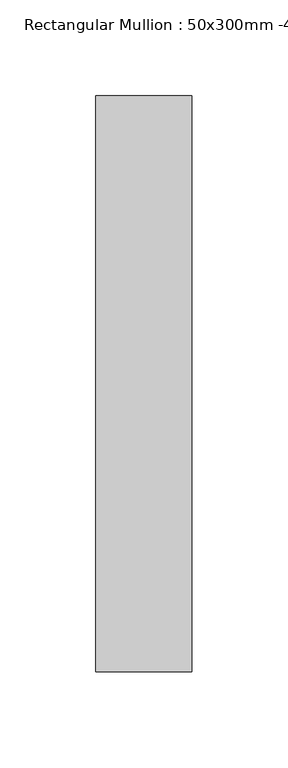
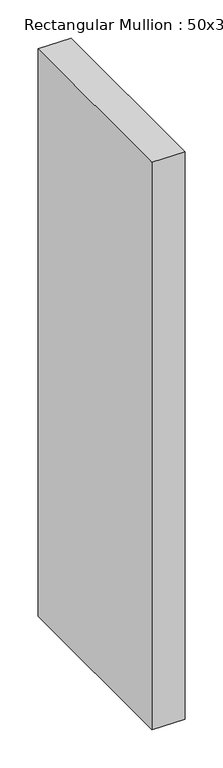
"""IFC4 building model written with IfcOpenShell, lengths in millimetres: member geometry, Rectangular Mullion : 50x300mm -45."""

from ifc_helpers import new_model, si_unit, frame, origin, place, context, project, spatial, polyline, outline, extrude, source, transform, mapped, element, save


def rectangular_mullion_50x300mm_45_96c3610f(model_context):
    return source(origin(), model_context, "Body", "SweptSolid", [
        extrude(outline(polyline([(0.0, 195.0), (0.0, -105.0), (-50.0, -105.0), (-50.0, 195.0), (0.0, 195.0)])), frame((0.0, 0.0, -909.8532665), z_axis=(0.0, 0.0, 1.0), x_axis=(1.0, 0.0, 0.0)), (0.0, 0.0, 1.0), 909.8532665),
    ])


if __name__ == "__main__":
    model = new_model("IFC4")
    model_context = context("Model", 3, world=origin())
    ifc_project = project(units=[si_unit("LENGTHUNIT", "METRE", prefix="MILLI")], contexts=[model_context])
    site = spatial("IfcSite", under=ifc_project)
    building = spatial("IfcBuilding", under=site)
    placement = place(None, origin())
    rectangular_mullion_50x300mm_45_shape = rectangular_mullion_50x300mm_45_96c3610f(model_context)
    element("IfcMember", 1, ObjectType="Rectangular Mullion : 50x300mm -45", at=placement, inside=building, context=model_context, shape_type="MappedRepresentation", body=[
        mapped(rectangular_mullion_50x300mm_45_shape, transform((0.0, 0.0, 0.0), x_axis=(1.0, 0.0, 0.0), y_axis=(0.0, 1.0, 0.0), z_axis=(0.0, 0.0, 1.0))),
    ])
    save(model, "model.ifc")
